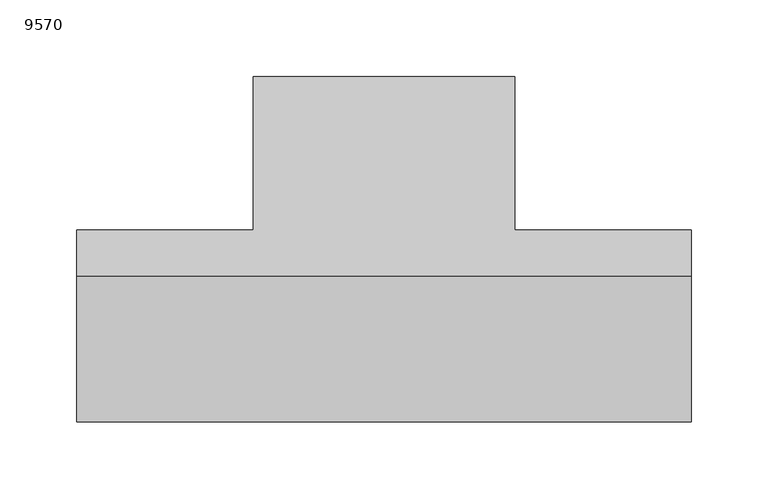
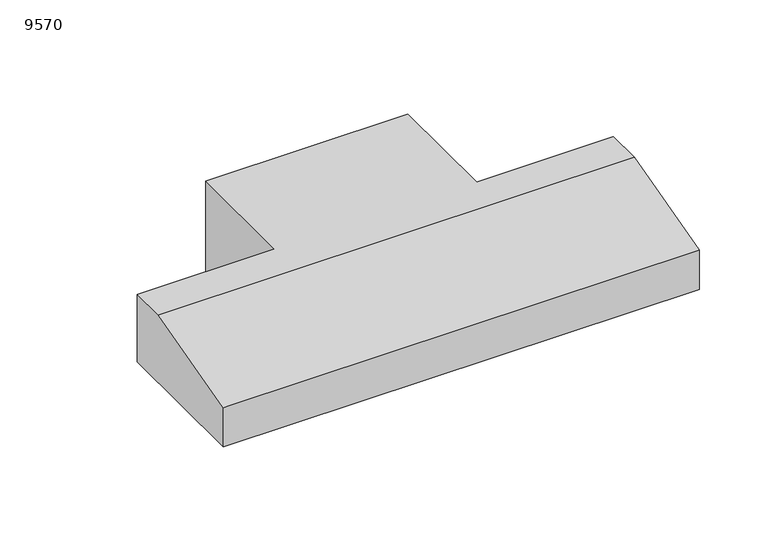
"""IFC4 building model written with IfcOpenShell, lengths in millimetres: light fixture geometry, 9570."""

from ifc_helpers import new_model, si_unit, frame, origin, place, context, project, spatial, polyline, circle_curve, outline, extrude, source, transform, mapped, element, save
from ifc_brep_helpers import plane_surface, revolved_surface, advanced_brep


def light_fixture_9570_1101c3f9(model_context):
    return source(origin(), model_context, "Body", "SolidModel", [
        advanced_brep(
        [(197.0, 60.0, 2025.0), (197.0, -59.0, 2025.0), (197.0, -59.0, 2057.6873343), (197.0, 9.820268, 2075.7979312), (197.0, 60.0, 2037.1149497), (200.0, 63.0, 2025.0), (200.0, 63.0, 2085.0), (200.0, 33.0, 2085.0), (200.0, -62.0, 2060.0), (200.0, -62.0, 2025.0), (85.0, 63.0, 2025.0), (85.0, 63.0, 2085.0), (-200.0, 63.0, 2025.0), (-200.0, 63.0, 2085.0), (-85.0, 63.0, 2085.0), (-85.0, 63.0, 2025.0), (85.0, 163.0, 2085.0), (-85.0, 163.0, 2085.0), (-200.0, 33.0, 2085.0), (-200.0, -62.0, 2060.0), (-197.0, -62.0, 2060.0), (-200.0, -62.0, 2025.0), (-197.0, 60.0, 2025.0), (-197.0, -59.0, 2025.0), (-197.0, -59.0, 2057.6873343), (-197.0, 9.820268, 2075.7979312), (-197.0, 60.0, 2037.1149497), (-85.0, 63.0, 2000.0), (-85.0, 163.0, 2000.0), (85.0, 163.0, 2000.0), (85.0, 63.0, 2000.0)],
        [
            (0, 1),
            (1, 2),
            (2, 3),
            (3, 4, circle_curve(frame((197.0, 20.0, 2037.1149497), z_axis=(-1.0, 0.0, 0.0), x_axis=(0.0, 1.0, 0.0)), 40.0)),
            (4, 0),
            (5, 6),
            (6, 7),
            (7, 8),
            (8, 9),
            (9, 5),
            (5, 10),
            (10, 11),
            (11, 6),
            (12, 13),
            (13, 14),
            (14, 15),
            (15, 12),
            (11, 16),
            (16, 17),
            (17, 14),
            (13, 18),
            (18, 7),
            (18, 19),
            (19, 20),
            (20, 8),
            (19, 21),
            (21, 9),
            (21, 12),
            (15, 10),
            (0, 22),
            (22, 23),
            (23, 1),
            (23, 24),
            (24, 2),
            (24, 25),
            (25, 3),
            (25, 26, circle_curve(frame((-197.0, 20.0, 2037.1149497), z_axis=(-1.0, 0.0, 0.0), x_axis=(0.0, 1.0, 0.0)), 40.0)),
            (26, 4),
            (26, 22),
            (27, 28),
            (28, 29),
            (29, 30),
            (30, 27),
            (30, 10),
            (15, 27),
            (29, 16),
            (28, 17),
        ],
        [
            plane_surface(frame((197.0, 63.0, 2085.0), z_axis=(-1.0, 0.0, 0.0), x_axis=(0.0, 0.0, -1.0))),
            plane_surface(frame((200.0, 63.0, 2085.0), z_axis=(1.0, 0.0, 0.0), x_axis=(0.0, 0.0, 1.0))),
            plane_surface(frame((200.0, 63.0, 2025.0), z_axis=(0.0, 1.0, 0.0), x_axis=(-1.0, 0.0, 0.0))),
            plane_surface(frame((200.0, 63.0, 2085.0), z_axis=(0.0, 0.0, 1.0), x_axis=(-1.0, 0.0, 0.0))),
            plane_surface(frame((200.0, 33.0, 2085.0), z_axis=(0.0, -0.25449329927912273, 0.9670745372627836), x_axis=(-1.0, 0.0, 0.0))),
            plane_surface(frame((200.0, -62.0, 2060.0), z_axis=(0.0, -1.0, 0.0), x_axis=(-1.0, 0.0, 0.0))),
            plane_surface(frame((200.0, -62.0, 2025.0), z_axis=(0.0, 0.0, -1.0), x_axis=(-1.0, 0.0, 0.0))),
            plane_surface(frame((-200.0, -62.0, 2060.0), z_axis=(-1.0, 0.0, 0.0), x_axis=(0.0, 0.9670745372627844, 0.2544932992791196))),
            plane_surface(frame((200.0, -59.0, 2025.0), z_axis=(0.0, 1.0, 0.0), x_axis=(-1.0, 0.0, 0.0))),
            plane_surface(frame((200.0, -59.0, 2057.6873343), z_axis=(0.0, 0.2544932992795292, -0.9670745372626766), x_axis=(-1.0, 0.0, 0.0))),
            revolved_surface(polyline([(-197.0, 60.0, 2037.1149497), (197.0, 60.0, 2037.1149497)]), (-200.0, 20.0, 2037.1149497), (-1.0, 0.0, 0.0)),
            plane_surface(frame((200.0, 60.0, 2037.1149497), z_axis=(0.0, -1.0, 0.0), x_axis=(-1.0, 0.0, 0.0))),
            plane_surface(frame((-197.0, 63.0, 2025.0), z_axis=(1.0, 0.0, 0.0), x_axis=(0.0, 1.0, 0.0))),
            plane_surface(frame((0.0, 63.0, 2000.0), z_axis=(0.0, 0.0, -1.0), x_axis=(-1.0, 0.0, 0.0))),
            plane_surface(frame((-85.0, 63.0, 2085.0), z_axis=(0.0, -1.0, 0.0), x_axis=(0.0, 0.0, -1.0))),
            plane_surface(frame((85.0, 63.0, 2085.0), z_axis=(1.0, 0.0, 0.0), x_axis=(0.0, 0.0, -1.0))),
            plane_surface(frame((85.0, 163.0, 2085.0), z_axis=(0.0, 1.0, 0.0), x_axis=(0.0, 0.0, -1.0))),
            plane_surface(frame((-85.0, 163.0, 2085.0), z_axis=(-1.0, 0.0, 0.0), x_axis=(0.0, 0.0, -1.0))),
        ],
        [
            (0, [[1, 2, 3, 4, 5]]),
            (1, [[6, 7, 8, 9, 10]]),
            (2, [[-6, 11, 12, 13]]),
            (2, [[14, 15, 16, 17]]),
            (3, [[-7, -13, 18, 19, 20, -15, 21, 22]]),
            (4, [[-8, -22, 23, 24, 25]]),
            (5, [[-9, -25, -24, 26, 27]]),
            (6, [[-10, -27, 28, -17, 29, -11], [-1, 30, 31, 32]]),
            (7, [[-21, -14, -28, -26, -23]]),
            (8, [[-2, -32, 33, 34]]),
            (9, [[-3, -34, 35, 36]]),
            (10, [[-4, -36, 37, 38]]),
            (11, [[-5, -38, 39, -30]]),
            (12, [[-31, -39, -37, -35, -33]]),
            (13, [[40, 41, 42, 43]]),
            (14, [[-43, 44, -29, 45]]),
            (15, [[-18, -12, -44, -42, 46]]),
            (16, [[-19, -46, -41, 47]]),
            (17, [[-20, -47, -40, -45, -16]]),
        ],
    ),
        extrude(outline(polyline([(197.0, 60.0), (197.0, -59.0), (-197.0, -59.0), (-197.0, 60.0), (197.0, 60.0)])), frame((0.0, 0.0, 2025.0), z_axis=(0.0, 0.0, 1.0), x_axis=(1.0, 0.0, 0.0)), (0.0, 0.0, 1.0), 3.0),
    ])


if __name__ == "__main__":
    model = new_model("IFC4")
    model_context = context("Model", 3, world=origin())
    ifc_project = project(units=[si_unit("LENGTHUNIT", "METRE", prefix="MILLI")], contexts=[model_context])
    site = spatial("IfcSite", under=ifc_project)
    building = spatial("IfcBuilding", under=site)
    placement = place(None, origin())
    light_fixture_9570_shape = light_fixture_9570_1101c3f9(model_context)
    element("IfcLightFixture", 1, ObjectType="9570", at=placement, inside=building, context=model_context, shape_type="MappedRepresentation", body=[
        mapped(light_fixture_9570_shape, transform((0.0, 0.0, 0.0), x_axis=(1.0, 0.0, 0.0), y_axis=(0.0, 1.0, 0.0), z_axis=(0.0, 0.0, 1.0))),
    ])
    save(model, "model.ifc")
